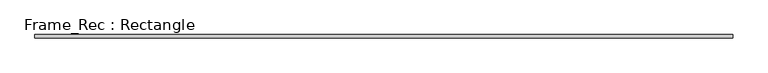
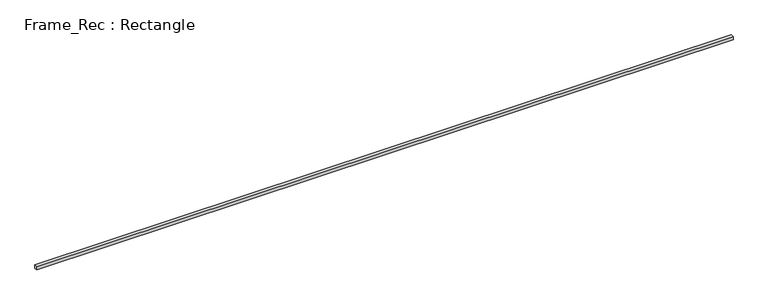
"""IFC4 building model written with IfcOpenShell, lengths in millimetres: proxy geometry, Frame_Rec : Rectangle."""

from ifc_helpers import new_model, si_unit, frame, origin, place, context, project, spatial, polyline, outline, extrude, source, transform, mapped, element, save


def frame_rec_rectangle_296ee7ba(model_context):
    return source(origin(), model_context, "Body", "SweptSolid", [
        extrude(outline(polyline([(10791.0, 25.0), (10791.0, -25.0), (0.0, -25.0), (0.0, 25.0), (10791.0, 25.0)])), frame((0.0, 0.0, -50.0), z_axis=(0.0, 0.0, 1.0), x_axis=(1.0, 0.0, 0.0)), (0.0, 0.0, 1.0), 50.0),
    ])


if __name__ == "__main__":
    model = new_model("IFC4")
    model_context = context("Model", 3, world=origin())
    ifc_project = project(units=[si_unit("LENGTHUNIT", "METRE", prefix="MILLI")], contexts=[model_context])
    site = spatial("IfcSite", under=ifc_project)
    building = spatial("IfcBuilding", under=site)
    placement = place(None, origin())
    frame_rec_rectangle_shape = frame_rec_rectangle_296ee7ba(model_context)
    element("IfcBuildingElementProxy", 1, Name="Frame_Rec : Rectangle", ObjectType="Frame_Rec : Rectangle", at=placement, inside=building, context=model_context, shape_type="MappedRepresentation", body=[
        mapped(frame_rec_rectangle_shape, transform((0.0, 0.0, 0.0), x_axis=(1.0, 0.0, 0.0), y_axis=(0.0, 1.0, 0.0), z_axis=(0.0, 0.0, 1.0))),
    ])
    save(model, "model.ifc")
